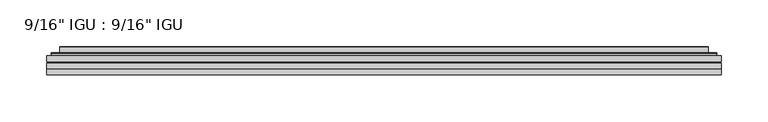
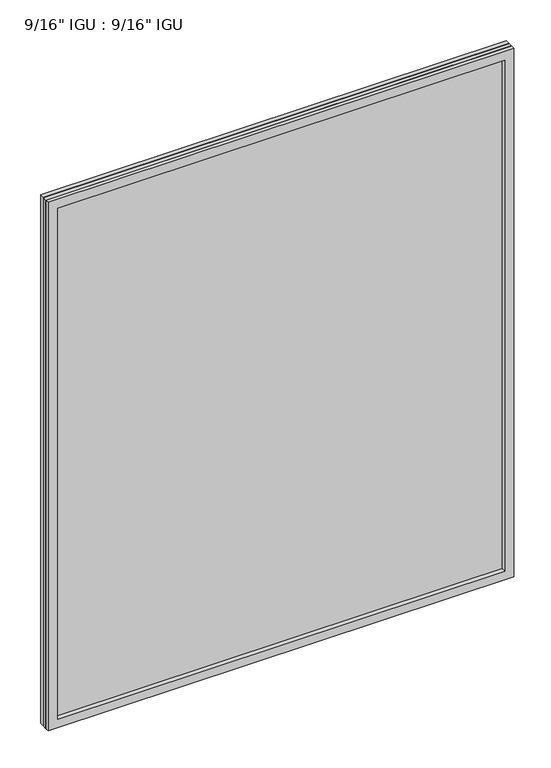
"""IFC4 building model written with IfcOpenShell, lengths in millimetres: plate geometry."""

import ifcopenshell
import ifcopenshell.guid

model = None  # the IFC model being written
_history = None  # IfcOwnerHistory: only IFC2X3 demands one
_inside = {}  # id of a spatial element -> (the spatial element, [elements in it])
_under = {}  # id of a project, library or spatial element -> (it, [spatial elements below it])
_declared = {}  # id of a project -> (the project, [libraries it declares])
_typed = {}  # id of a type object -> (the type object, [elements of that type])
_made_of = {}  # id of a material, layer set ... -> (it, [elements and type objects made of it])


def new_model(schema):
    """Start an empty IFC model of exactly this schema.

    Asked for "IFC4X3", IfcOpenShell would pick the latest addendum, in which some entities
    have other attributes; the version numbers below select the first issue.
    IFC2X3 requires an IfcOwnerHistory on every rooted entity: one is made here for all.
    """
    global model, _history
    if schema == "IFC4X3":
        model = ifcopenshell.file(schema_version=(4, 3, 0, 0))
    else:
        model = ifcopenshell.file(schema=schema)
    _inside.clear()
    _under.clear()
    _declared.clear()
    _typed.clear()
    _made_of.clear()
    _history = None
    if model.schema == "IFC2X3":
        org = make("IfcOrganization", Name="unknown")
        user = make(
            "IfcPersonAndOrganization",
            ThePerson=make("IfcPerson", FamilyName="unknown"),
            TheOrganization=org,
        )
        app = make(
            "IfcApplication",
            ApplicationDeveloper=org,
            Version="unknown",
            ApplicationFullName="unknown",
            ApplicationIdentifier="unknown",
        )
        _history = make(
            "IfcOwnerHistory",
            OwningUser=user,
            OwningApplication=app,
            ChangeAction="ADDED",
            CreationDate=0,
        )
    return model


def make(cls, **values):
    """One entity of the class cls with the attributes given. An attribute that is None is left unset."""
    return model.create_entity(
        cls, **{name: value for name, value in values.items() if value is not None}
    )


def rooted(cls, **values):
    """An entity with a GlobalId (a new one), such as an element, a storey or a relation."""
    return make(cls, GlobalId=ifcopenshell.guid.new(), OwnerHistory=_history, **values)


def si_unit(unit_type, name, prefix=None):
    """IfcSIUnit, for example si_unit("LENGTHUNIT", "METRE", prefix="MILLI")."""
    return make("IfcSIUnit", UnitType=unit_type, Prefix=prefix, Name=name)


def assignment(units):
    """IfcUnitAssignment: the units of a project."""
    return None if units is None else make("IfcUnitAssignment", Units=units)


def point(xyz):
    """IfcCartesianPoint."""
    return None if xyz is None else make("IfcCartesianPoint", Coordinates=xyz)


def direction(xyz):
    """IfcDirection."""
    return None if xyz is None else make("IfcDirection", DirectionRatios=xyz)


def frame(location, z_axis=None, x_axis=None):
    """IfcAxis2Placement3D, a coordinate frame: its origin and axes. An axis left out is left unset."""
    return make(
        "IfcAxis2Placement3D",
        Location=point(location),
        Axis=direction(z_axis),
        RefDirection=direction(x_axis),
    )


def origin():
    """The frame at (0, 0, 0) with its axes left unset."""
    return frame((0.0, 0.0, 0.0))


def place(relative_to, where):
    """IfcLocalPlacement: puts the frame where relative to a parent placement (None: the world)."""
    return make(
        "IfcLocalPlacement", PlacementRelTo=relative_to, RelativePlacement=where
    )


def context(
    kind, dimensions, precision=None, world=None, true_north=None, identifier=None
):
    """IfcGeometricRepresentationContext, for example the 3D "Model" context."""
    return make(
        "IfcGeometricRepresentationContext",
        ContextIdentifier=identifier,
        ContextType=kind,
        CoordinateSpaceDimension=dimensions,
        Precision=precision,
        WorldCoordinateSystem=world,
        TrueNorth=true_north,
    )


def project(units=None, contexts=None):
    """IfcProject with its units and contexts."""
    return rooted(
        "IfcProject",
        Name="project",
        RepresentationContexts=contexts,
        UnitsInContext=assignment(units),
    )


def spatial(cls, under=None, at=None, **own):
    """A site, building, storey or space (cls), placed at a placement, below another one or the project."""
    s = rooted(cls, ObjectPlacement=at, **own)
    if under is not None:
        _under.setdefault(under.id(), (under, []))[1].append(s)
    return s


def polyline(points):
    """IfcPolyline through the points."""
    return make("IfcPolyline", Points=[point(p) for p in points])


def ellipse_curve(where, semi_axis1, semi_axis2):
    """IfcEllipse in the frame where."""
    return make(
        "IfcEllipse", Position=where, SemiAxis1=semi_axis1, SemiAxis2=semi_axis2
    )


def outline(outer, holes=None, kind="AREA"):
    """IfcArbitraryClosedProfileDef: a profile drawn as a closed curve; with holes, ...WithVoids."""
    if holes is None:
        return make("IfcArbitraryClosedProfileDef", ProfileType=kind, OuterCurve=outer)
    return make(
        "IfcArbitraryProfileDefWithVoids",
        ProfileType=kind,
        OuterCurve=outer,
        InnerCurves=holes,
    )


def extrude(swept, where, along, depth):
    """IfcExtrudedAreaSolid: the profile swept, set in the frame where, extruded along a direction by depth."""
    return make(
        "IfcExtrudedAreaSolid",
        SweptArea=swept,
        Position=where,
        ExtrudedDirection=direction(along),
        Depth=depth,
    )


def faces_of(points, faces, orient=None, outer=None):
    """IfcFace entities. A face is a list of loops; a loop is a list of indices into points, from 0.

    orient and outer hold one flag for each loop. By default every Orientation is true, the
    first loop of a face is its IfcFaceOuterBound and the others are IfcFaceBound.
    """
    made = []
    for i, loops in enumerate(faces):
        bounds = []
        for j, loop in enumerate(loops):
            is_outer = j == 0 if outer is None else outer[i][j]
            bounds.append(
                make(
                    "IfcFaceOuterBound" if is_outer else "IfcFaceBound",
                    Bound=make("IfcPolyLoop", Polygon=[points[k] for k in loop]),
                    Orientation=True if orient is None else orient[i][j],
                )
            )
        made.append(make("IfcFace", Bounds=bounds))
    return made


def faceted_brep(points, faces, orient=None, outer=None, voids=None):
    """IfcFacetedBrep: a solid bounded by flat faces; with voids (closed shells), ...WithVoids."""
    shared = [point(p) for p in points]
    hull = make("IfcClosedShell", CfsFaces=faces_of(shared, faces, orient, outer))
    if voids is None:
        return make("IfcFacetedBrep", Outer=hull)
    return make(
        "IfcFacetedBrepWithVoids",
        Outer=hull,
        Voids=[
            make(cls, CfsFaces=faces_of(shared, fs, o, b)) for cls, fs, o, b in voids
        ],
    )


def shape(context_of_items, identifier, shape_type, items):
    """IfcShapeRepresentation: the items that make up one representation, for example the "Body"."""
    return make(
        "IfcShapeRepresentation",
        ContextOfItems=context_of_items,
        RepresentationIdentifier=identifier,
        RepresentationType=shape_type,
        Items=items,
    )


def source(mapping_origin, context_of_items, identifier, shape_type, items):
    """IfcRepresentationMap: a shape defined once, which mapped items show again and again."""
    return make(
        "IfcRepresentationMap",
        MappingOrigin=mapping_origin,
        MappedRepresentation=shape(context_of_items, identifier, shape_type, items),
    )


def transform(
    local_origin,
    x_axis=None,
    y_axis=None,
    z_axis=None,
    scale=None,
    scale2=None,
    scale3=None,
    uniform=True,
):
    """IfcCartesianTransformationOperator3D, or its non-uniform kind. x_axis, y_axis, z_axis: its Axis1, 2, 3."""
    if uniform:
        return make(
            "IfcCartesianTransformationOperator3D",
            Axis1=direction(x_axis),
            Axis2=direction(y_axis),
            LocalOrigin=point(local_origin),
            Scale=scale,
            Axis3=direction(z_axis),
        )
    return make(
        "IfcCartesianTransformationOperator3DnonUniform",
        Axis1=direction(x_axis),
        Axis2=direction(y_axis),
        LocalOrigin=point(local_origin),
        Scale=scale,
        Axis3=direction(z_axis),
        Scale2=scale2,
        Scale3=scale3,
    )


def mapped(mapping_source, mapping_target):
    """IfcMappedItem: shows the shape of a source again, moved by a transform."""
    return make(
        "IfcMappedItem", MappingSource=mapping_source, MappingTarget=mapping_target
    )


def made_of(thing, what):
    """Note that an element or type object is made of a material, layer set ...; save() writes the relation."""
    if what is not None:
        _made_of.setdefault(what.id(), (what, []))[1].append(thing)
    return thing


def element(
    cls,
    number,
    at=None,
    inside=None,
    cuts=None,
    type_object=None,
    material=None,
    context=None,
    identifier="Body",
    shape_type=None,
    held_by="IfcProductDefinitionShape",
    body=None,
    shapes=None,
    **own,
):
    """One element of the class cls, such as IfcWall. Its Tag is "e" and its number.

    at: its placement. inside: the storey or other place that contains it. cuts: it is an
    opening in that element (IfcRelVoidsElement). A single representation is given by context,
    identifier, shape_type and body (its items); several are given by shapes. held_by: the class
    of the entity that holds the representations. save() writes the other relations.
    """
    e = rooted(cls, Tag="e%d" % number, ObjectPlacement=at, **own)
    if body is not None:
        shapes = [shape(context, identifier, shape_type, body)]
    if shapes is not None:
        e.Representation = make(held_by, Representations=shapes)
    if inside is not None:
        _inside.setdefault(inside.id(), (inside, []))[1].append(e)
    if cuts is not None:
        rooted(
            "IfcRelVoidsElement", RelatingBuildingElement=cuts, RelatedOpeningElement=e
        )
    if type_object is not None:
        _typed.setdefault(type_object.id(), (type_object, []))[1].append(e)
    return made_of(e, material)


def aggregate(whole, parts):
    """IfcRelAggregates: a whole, such as a stair, and the parts it consists of."""
    return rooted("IfcRelAggregates", RelatingObject=whole, RelatedObjects=parts)


def save(model, path):
    """Write the relations noted so far, then the file.

    IfcRelAggregates (storeys below a building ...), IfcRelContainedInSpatialStructure (elements
    in a storey), IfcRelDefinesByType, IfcRelAssociatesMaterial and IfcRelDeclares: one each for
    every whole, place, type object, material and project.
    """
    for whole, parts in _under.values():
        aggregate(whole, parts)
    for where, things in _inside.values():
        rooted(
            "IfcRelContainedInSpatialStructure",
            RelatedElements=things,
            RelatingStructure=where,
        )
    for kind, things in _typed.values():
        rooted("IfcRelDefinesByType", RelatedObjects=things, RelatingType=kind)
    for what, things in _made_of.values():
        rooted("IfcRelAssociatesMaterial", RelatedObjects=things, RelatingMaterial=what)
    for by, libraries in _declared.values():
        rooted("IfcRelDeclares", RelatingContext=by, RelatedDefinitions=libraries)
    model.write(path)


def plane_surface(at):
    """IfcPlane: the flat surface through the origin of the frame at, square to its z axis."""
    return make("IfcPlane", Position=at)


def cylinder_surface(at, radius):
    """IfcCylindricalSurface: all points at the distance radius from the z axis of the frame at."""
    return make("IfcCylindricalSurface", Position=at, Radius=radius)


def advanced_brep(points, edges, surfaces, faces):
    """IfcAdvancedBrep: a solid bounded by faces that lie on surfaces and meet in shared edges.

    An edge is (start, end): straight between two places in points (the first is 0);
    or (start, end, curve); or (start, end, curve, False) where it runs against its curve.
    A face is (place in surfaces, loops), or (place, loops, False) where it looks against
    its surface's normal. A loop lists edges by number (the first is 1), with a minus sign
    where the edge is run from its end to its start. The first loop is the outer one.
    """
    corners = [point(p) for p in points]
    vertices = [make("IfcVertexPoint", VertexGeometry=c) for c in corners]
    made = []
    for start, end, *more in edges:
        made.append(
            make(
                "IfcEdgeCurve",
                EdgeStart=vertices[start],
                EdgeEnd=vertices[end],
                EdgeGeometry=more[0] if more else make("IfcPolyline", Points=[corners[start], corners[end]]),
                SameSense=more[1] if len(more) > 1 else True,
            )
        )
    hull = []
    for where, loops, *sense in faces:
        bounds = []
        for j, loop in enumerate(loops):
            ring = [make("IfcOrientedEdge", EdgeElement=made[abs(k) - 1], Orientation=k > 0) for k in loop]
            bounds.append(
                make(
                    "IfcFaceOuterBound" if j == 0 else "IfcFaceBound",
                    Bound=make("IfcEdgeLoop", EdgeList=ring),
                    Orientation=True,
                )
            )
        hull.append(make("IfcAdvancedFace", Bounds=bounds, FaceSurface=surfaces[where], SameSense=sense[0] if sense else True))
    return make("IfcAdvancedBrep", Outer=make("IfcClosedShell", CfsFaces=hull))


def plate_e0b52452(model_context):
    return source(origin(), model_context, "Body", "SolidModel", [
        extrude(outline(polyline([(362.3500804, -54.78145), (362.3500804, -61.1317818), (-362.3359055, -61.1317818), (-362.3359055, -54.78145), (362.3500804, -54.78145)])), frame((0.0, 0.0, -14.2875), z_axis=(0.0, 0.0, 1.0), x_axis=(1.0, 0.0, 0.0)), (0.0, 0.0, 1.0), 869.9537979),
        extrude(outline(polyline([(-362.3359055, -69.05625), (-362.3359055, -62.705745), (362.3500804, -62.705745), (362.3500804, -69.05625), (-362.3359055, -69.05625)])), frame((0.0, 0.0, -14.2875), z_axis=(0.0, 0.0, 1.0), x_axis=(1.0, 0.0, 0.0)), (0.0, 0.0, 1.0), 869.9537979),
        faceted_brep([(-362.3486055, -75.40625, 855.6752), (-362.3486055, -69.05625, 855.6752), (-362.3486055, -69.05625, -14.3002), (-362.3486055, -75.40625, -14.3002), (362.3486055, -69.05625, -14.3002), (362.3486055, -75.40625, -14.3002), (362.3486055, -69.05625, 855.6752), (362.3486055, -75.40625, 855.6752), (-347.1506613, -69.05625, 0.8977441), (347.1506613, -69.05625, 0.8977441), (347.1506613, -69.05625, 840.4772559), (-347.1506613, -69.05625, 840.4772559), (-348.0430956, -75.40625, 841.3696902), (348.0430956, -75.40625, 841.3696902), (348.0430956, -75.40625, 0.0053098), (-348.0430956, -75.40625, 0.0053098)], [[[0, 1, 2, 3]], [[3, 2, 4, 5]], [[5, 4, 6, 7]], [[1, 6, 4, 2], [8, 9, 10, 11]], [[7, 6, 1, 0]], [[3, 5, 7, 0], [12, 13, 14, 15]], [[11, 12, 15, 8]], [[8, 15, 14, 9]], [[9, 14, 13, 10]], [[10, 13, 12, 11]]]),
        advanced_brep(
        [(-355.0946245, -54.78145, 848.421219), (-357.4488299, -52.7917833, 850.7754244), (-357.4488299, -52.7917833, -9.4004244), (-355.0946245, -54.78145, -7.046219), (-346.0202994, -50.941413, 839.3468939), (-341.0854675, -54.78145, 834.4120621), (-341.0854675, -54.78145, 6.9629379), (-346.0202994, -50.941413, 2.0281061), (-347.0523271, -45.5441819, 840.3789217), (-347.0523271, -45.5441819, 0.9960783), (-348.0429839, -45.1452069, 841.3695784), (-348.0429839, -45.1452069, 0.0054216), (-348.0429839, -51.60645, 841.3695784), (-348.0429839, -51.60645, 0.0054216), (-356.4470404, -51.60645, 849.7736349), (-356.4470404, -51.60645, -8.3986349), (357.4488299, -52.7917833, -9.4004244), (355.0946245, -54.78145, -7.046219), (341.0854675, -54.78145, 6.9629379), (346.0202994, -50.941413, 2.0281061), (347.0523271, -45.5441819, 0.9960783), (348.0429839, -45.1452069, 0.0054216), (348.0429839, -51.60645, 0.0054216), (356.4470404, -51.60645, -8.3986349), (357.4488299, -52.7917833, 850.7754244), (355.0946245, -54.78145, 848.421219), (341.0854675, -54.78145, 834.4120621), (346.0202994, -50.941413, 839.3468939), (347.0523271, -45.5441819, 840.3789217), (348.0429839, -45.1452069, 841.3695784), (348.0429839, -51.60645, 841.3695784), (356.4470404, -51.60645, 849.7736349)],
        [
            (0, 1, ellipse_curve(frame((-355.0946245, -52.39385, 848.421219), z_axis=(-0.7071067811865475, 0.0, -0.7071067811865475), x_axis=(-0.7071067811865474, 0.0, 0.7071067811865476)), 3.3765763, 2.3876)),
            (1, 2),
            (2, 3, ellipse_curve(frame((-355.0946245, -52.39385, -7.046219), z_axis=(-0.7071067811865475, 0.0, 0.7071067811865475), x_axis=(0.7071067811865474, 0.0, 0.7071067811865476)), 3.3765763, 2.3876)),
            (3, 0),
            (4, 5),
            (5, 6),
            (6, 7),
            (7, 4),
            (8, 4),
            (7, 9),
            (9, 8),
            (10, 8, ellipse_curve(frame((-347.6760273, -45.6634423, 841.0026219), z_axis=(-0.7071067811865475, 0.0, -0.7071067811865475), x_axis=(-0.7071067811865474, 0.0, 0.7071067811865476)), 0.8980256, 0.635)),
            (9, 11, ellipse_curve(frame((-347.6760273, -45.6634423, 0.3723781), z_axis=(-0.7071067811865475, 0.0, 0.7071067811865475), x_axis=(0.7071067811865474, 0.0, 0.7071067811865476)), 0.8980256, 0.635)),
            (11, 10),
            (12, 10),
            (11, 13),
            (13, 12),
            (1, 14, ellipse_curve(frame((-356.4470404, -52.62245, 849.7736349), z_axis=(-0.7071067811865475, 0.0, -0.7071067811865475), x_axis=(-0.7071067811865474, 0.0, 0.7071067811865476)), 1.436841, 1.016)),
            (14, 15),
            (15, 2, ellipse_curve(frame((-356.4470404, -52.62245, -8.3986349), z_axis=(-0.7071067811865475, 0.0, 0.7071067811865475), x_axis=(0.7071067811865474, 0.0, 0.7071067811865476)), 1.436841, 1.016)),
            (2, 16),
            (16, 17, ellipse_curve(frame((355.0946245, -52.39385, -7.046219), z_axis=(-0.7071067811865475, 0.0, -0.7071067811865475), x_axis=(-0.7071067811865476, 0.0, 0.7071067811865474)), 3.3765763, 2.3876)),
            (17, 3),
            (6, 18),
            (18, 19),
            (19, 7),
            (19, 20),
            (20, 9),
            (20, 21, ellipse_curve(frame((347.6760273, -45.6634423, 0.3723781), z_axis=(-0.7071067811865475, 0.0, -0.7071067811865475), x_axis=(-0.7071067811865476, 0.0, 0.7071067811865474)), 0.8980256, 0.635)),
            (21, 11),
            (21, 22),
            (22, 13),
            (15, 23),
            (23, 16, ellipse_curve(frame((356.4470404, -52.62245, -8.3986349), z_axis=(-0.7071067811865475, 0.0, -0.7071067811865475), x_axis=(-0.7071067811865476, 0.0, 0.7071067811865474)), 1.436841, 1.016)),
            (16, 24),
            (24, 25, ellipse_curve(frame((355.0946245, -52.39385, 848.421219), z_axis=(0.7071067811865475, 0.0, -0.7071067811865475), x_axis=(-0.7071067811865474, 0.0, -0.7071067811865476)), 3.3765763, 2.3876)),
            (25, 17),
            (18, 26),
            (26, 27),
            (27, 19),
            (27, 28),
            (28, 20),
            (28, 29, ellipse_curve(frame((347.6760273, -45.6634423, 841.0026219), z_axis=(0.7071067811865475, 0.0, -0.7071067811865475), x_axis=(-0.7071067811865474, 0.0, -0.7071067811865476)), 0.8980256, 0.635)),
            (29, 21),
            (29, 30),
            (30, 22),
            (23, 31),
            (31, 24, ellipse_curve(frame((356.4470404, -52.62245, 849.7736349), z_axis=(0.7071067811865475, 0.0, -0.7071067811865475), x_axis=(-0.7071067811865474, 0.0, -0.7071067811865476)), 1.436841, 1.016)),
            (24, 1),
            (0, 25),
            (5, 26),
            (4, 27),
            (8, 28),
            (10, 29),
            (12, 30),
            (14, 31),
        ],
        [
            cylinder_surface(frame((-355.0946245, -52.39385, 873.125), z_axis=(0.0, 0.0, 1.0), x_axis=(-1.0, 0.0, 0.0)), 2.3876),
            plane_surface(frame((-341.0854675, -54.78145, 834.4120621), z_axis=(0.6141233906514794, 0.7892100234124821, 0.0), x_axis=(0.0, 0.0, -1.0))),
            plane_surface(frame((-346.0202994, -50.941413, 839.3468939), z_axis=(0.9822050625507728, 0.18781164793386088, 0.0), x_axis=(0.0, 0.0, -1.0))),
            cylinder_surface(frame((-347.6760273, -45.6634423, 873.125), z_axis=(0.0, 0.0, 1.0), x_axis=(-1.0, 0.0, 0.0)), 0.635),
            plane_surface(frame((-348.0429839, -45.1452069, 841.3695784), z_axis=(-1.0, 0.0, 0.0), x_axis=(0.0, 0.0, -1.0))),
            cylinder_surface(frame((-356.4470404, -52.62245, 873.125), z_axis=(0.0, 0.0, 1.0), x_axis=(-1.0, 0.0, 0.0)), 1.016),
            cylinder_surface(frame((-379.7984055, -52.39385, -7.046219), z_axis=(-1.0, 0.0, 0.0), x_axis=(0.0, 0.0, -1.0)), 2.3876),
            plane_surface(frame((-341.0854675, -54.78145, 6.9629379), z_axis=(0.0, 0.7892100234124841, 0.6141233906514768), x_axis=(1.0, 0.0, 0.0))),
            plane_surface(frame((-346.0202994, -50.941413, 2.0281061), z_axis=(0.0, 0.18781164793386404, 0.9822050625507722), x_axis=(1.0, 0.0, 0.0))),
            cylinder_surface(frame((-379.7984055, -45.6634423, 0.3723781), z_axis=(-1.0, 0.0, 0.0), x_axis=(0.0, 0.0, -1.0)), 0.635),
            plane_surface(frame((-348.0429839, -45.1452069, 0.0054216), z_axis=(0.0, 0.0, -1.0), x_axis=(1.0, 0.0, 0.0))),
            cylinder_surface(frame((-379.7984055, -52.62245, -8.3986349), z_axis=(-1.0, 0.0, 0.0), x_axis=(0.0, 0.0, -1.0)), 1.016),
            cylinder_surface(frame((355.0946245, -52.39385, -31.75), z_axis=(0.0, 0.0, -1.0), x_axis=(1.0, 0.0, 0.0)), 2.3876),
            plane_surface(frame((341.0854675, -54.78145, 6.9629379), z_axis=(-0.6141233906514743, 0.7892100234124861, 0.0), x_axis=(0.0, 0.0, 1.0))),
            plane_surface(frame((346.0202994, -50.941413, 2.0281061), z_axis=(-0.9822050625507717, 0.1878116479338672, 0.0), x_axis=(0.0, 0.0, 1.0))),
            cylinder_surface(frame((347.6760273, -45.6634423, -31.75), z_axis=(0.0, 0.0, -1.0), x_axis=(1.0, 0.0, 0.0)), 0.635),
            plane_surface(frame((348.0429839, -45.1452069, 0.0054216), z_axis=(1.0, 0.0, 0.0), x_axis=(0.0, 0.0, 1.0))),
            cylinder_surface(frame((356.4470404, -52.62245, -31.75), z_axis=(0.0, 0.0, -1.0), x_axis=(1.0, 0.0, 0.0)), 1.016),
            cylinder_surface(frame((379.7984055, -52.39385, 848.421219), z_axis=(1.0, 0.0, 0.0), x_axis=(0.0, 0.0, 1.0)), 2.3876),
            plane_surface(frame((355.0946245, -54.78145, 848.421219), z_axis=(0.0, -1.0, 0.0), x_axis=(-1.0, 0.0, 0.0))),
            plane_surface(frame((341.0854675, -54.78145, 834.4120621), z_axis=(0.0, 0.7892100234124841, -0.6141233906514768), x_axis=(-1.0, 0.0, 0.0))),
            plane_surface(frame((346.0202994, -50.941413, 839.3468939), z_axis=(0.0, 0.18781164793386404, -0.9822050625507722), x_axis=(-1.0, 0.0, 0.0))),
            cylinder_surface(frame((379.7984055, -45.6634423, 841.0026219), z_axis=(1.0, 0.0, 0.0), x_axis=(0.0, 0.0, 1.0)), 0.635),
            plane_surface(frame((348.0429839, -45.1452069, 841.3695784), z_axis=(0.0, 0.0, 1.0), x_axis=(-1.0, 0.0, 0.0))),
            plane_surface(frame((348.0429839, -51.60645, 841.3695784), z_axis=(0.0, 1.0, 0.0), x_axis=(-1.0, 0.0, 0.0))),
            cylinder_surface(frame((379.7984055, -52.62245, 849.7736349), z_axis=(1.0, 0.0, 0.0), x_axis=(0.0, 0.0, 1.0)), 1.016),
        ],
        [
            (0, [[1, 2, 3, 4]]),
            (1, [[5, 6, 7, 8]]),
            (2, [[9, -8, 10, 11]]),
            (3, [[12, -11, 13, 14]]),
            (4, [[15, -14, 16, 17]]),
            (5, [[18, 19, 20, -2]]),
            (6, [[-3, 21, 22, 23]]),
            (7, [[-7, 24, 25, 26]]),
            (8, [[-10, -26, 27, 28]]),
            (9, [[-13, -28, 29, 30]]),
            (10, [[-16, -30, 31, 32]]),
            (11, [[-20, 33, 34, -21]]),
            (12, [[-22, 35, 36, 37]]),
            (13, [[-25, 38, 39, 40]]),
            (14, [[-27, -40, 41, 42]]),
            (15, [[-29, -42, 43, 44]]),
            (16, [[-31, -44, 45, 46]]),
            (17, [[-34, 47, 48, -35]]),
            (18, [[-36, 49, -1, 50]]),
            (19, [[-23, -37, -50, -4], [51, -38, -24, -6]]),
            (20, [[-39, -51, -5, 52]]),
            (21, [[-41, -52, -9, 53]]),
            (22, [[-43, -53, -12, 54]]),
            (23, [[-45, -54, -15, 55]]),
            (24, [[56, -47, -33, -19], [-32, -46, -55, -17]]),
            (25, [[-48, -56, -18, -49]]),
        ],
    ),
    ])


if __name__ == "__main__":
    model = new_model("IFC4")
    model_context = context("Model", 3, world=origin())
    ifc_project = project(units=[si_unit("LENGTHUNIT", "METRE", prefix="MILLI")], contexts=[model_context])
    site = spatial("IfcSite", under=ifc_project)
    building = spatial("IfcBuilding", under=site)
    placement = place(None, origin())
    plate_shape = plate_e0b52452(model_context)
    element("IfcPlate", 1, ObjectType="9/16\" IGU : 9/16\" IGU", at=placement, inside=building, context=model_context, shape_type="MappedRepresentation", body=[
        mapped(plate_shape, transform((0.0, 0.0, 0.0), x_axis=(1.0, 0.0, 0.0), y_axis=(0.0, 1.0, 0.0), z_axis=(0.0, 0.0, 1.0))),
    ])
    save(model, "model.ifc")
